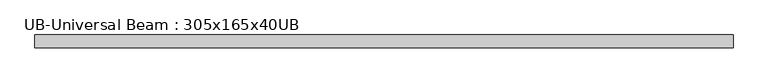
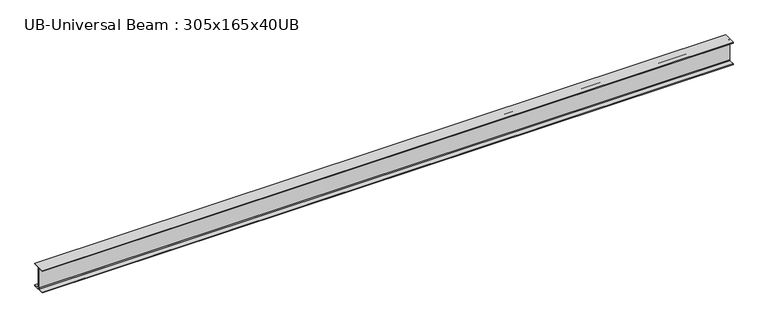
"""IFC4 building model written with IfcOpenShell, lengths in millimetres: beam geometry, UB-Universal Beam : 305x165x40UB."""

from ifc_helpers import new_model, si_unit, point, frame, frame_2d, origin, place, context, project, spatial, polyline, circle_curve, trimmed, segment, composite_curve, outline, extrude, source, transform, mapped, element, save


def ub_universal_beam_305x165x40ub_471605ec(model_context):
    return source(origin(), model_context, "Body", "SweptSolid", [
        extrude(outline(composite_curve([segment(polyline([(82.5, -141.5), (82.5, -151.7), (-82.5, -151.7), (-82.5, -141.5), (-11.9, -141.5)]), True, "CONTINUOUS"), segment(trimmed(circle_curve(frame_2d((-11.9, -132.6)), 8.9), [point((-11.9, -141.5))], [point((-3.0, -132.6))], True, "CARTESIAN"), True, "CONTINUOUS"), segment(polyline([(-3.0, -132.6), (-3.0, 132.6)]), True, "CONTINUOUS"), segment(trimmed(circle_curve(frame_2d((-11.9, 132.6)), 8.9), [point((-3.0, 132.6))], [point((-11.9, 141.5))], True, "CARTESIAN"), True, "CONTINUOUS"), segment(polyline([(-11.9, 141.5), (-82.5, 141.5), (-82.5, 151.7), (82.5, 151.7), (82.5, 141.5), (11.9, 141.5)]), True, "CONTINUOUS"), segment(trimmed(circle_curve(frame_2d((11.9, 132.6)), 8.9), [point((11.9, 141.5))], [point((3.0, 132.6))], True, "CARTESIAN"), True, "CONTINUOUS"), segment(polyline([(3.0, 132.6), (3.0, -132.6)]), True, "CONTINUOUS"), segment(trimmed(circle_curve(frame_2d((11.9, -132.6)), 8.9), [point((3.0, -132.6))], [point((11.9, -141.5))], True, "CARTESIAN"), True, "CONTINUOUS"), segment(polyline([(11.9, -141.5), (82.5, -141.5)]), True, "CONTINUOUS")], self_intersect=False)), frame((-4432.1052271, 0.0, 0.0), z_axis=(1.0, 0.0, 0.0), x_axis=(0.0, 1.0, 0.0)), (0.0, 0.0, 1.0), 8856.6618415),
    ])


if __name__ == "__main__":
    model = new_model("IFC4")
    model_context = context("Model", 3, world=origin())
    ifc_project = project(units=[si_unit("LENGTHUNIT", "METRE", prefix="MILLI")], contexts=[model_context])
    site = spatial("IfcSite", under=ifc_project)
    building = spatial("IfcBuilding", under=site)
    placement = place(None, origin())
    ub_universal_beam_305x165x40ub_shape = ub_universal_beam_305x165x40ub_471605ec(model_context)
    element("IfcBeam", 1, ObjectType="UB-Universal Beam : 305x165x40UB", at=placement, inside=building, context=model_context, shape_type="MappedRepresentation", body=[
        mapped(ub_universal_beam_305x165x40ub_shape, transform((0.0, 0.0, 0.0), x_axis=(1.0, 0.0, 0.0), y_axis=(0.0, 1.0, 0.0), z_axis=(0.0, 0.0, 1.0))),
    ])
    save(model, "model.ifc")
